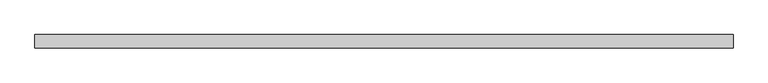
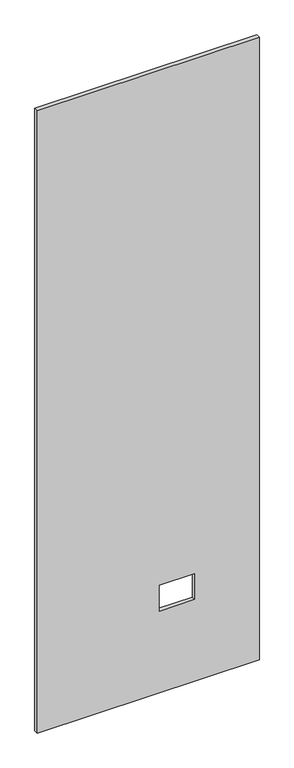
"""IFC4 building model written with IfcOpenShell, lengths in millimetres: proxy geometry."""

import ifcopenshell
import ifcopenshell.guid

model = None  # the IFC model being written
_history = None  # IfcOwnerHistory: only IFC2X3 demands one
_inside = {}  # id of a spatial element -> (the spatial element, [elements in it])
_under = {}  # id of a project, library or spatial element -> (it, [spatial elements below it])
_declared = {}  # id of a project -> (the project, [libraries it declares])
_typed = {}  # id of a type object -> (the type object, [elements of that type])
_made_of = {}  # id of a material, layer set ... -> (it, [elements and type objects made of it])


def new_model(schema):
    """Start an empty IFC model of exactly this schema.

    Asked for "IFC4X3", IfcOpenShell would pick the latest addendum, in which some entities
    have other attributes; the version numbers below select the first issue.
    IFC2X3 requires an IfcOwnerHistory on every rooted entity: one is made here for all.
    """
    global model, _history
    if schema == "IFC4X3":
        model = ifcopenshell.file(schema_version=(4, 3, 0, 0))
    else:
        model = ifcopenshell.file(schema=schema)
    _inside.clear()
    _under.clear()
    _declared.clear()
    _typed.clear()
    _made_of.clear()
    _history = None
    if model.schema == "IFC2X3":
        org = make("IfcOrganization", Name="unknown")
        user = make(
            "IfcPersonAndOrganization",
            ThePerson=make("IfcPerson", FamilyName="unknown"),
            TheOrganization=org,
        )
        app = make(
            "IfcApplication",
            ApplicationDeveloper=org,
            Version="unknown",
            ApplicationFullName="unknown",
            ApplicationIdentifier="unknown",
        )
        _history = make(
            "IfcOwnerHistory",
            OwningUser=user,
            OwningApplication=app,
            ChangeAction="ADDED",
            CreationDate=0,
        )
    return model


def make(cls, **values):
    """One entity of the class cls with the attributes given. An attribute that is None is left unset."""
    return model.create_entity(
        cls, **{name: value for name, value in values.items() if value is not None}
    )


def rooted(cls, **values):
    """An entity with a GlobalId (a new one), such as an element, a storey or a relation."""
    return make(cls, GlobalId=ifcopenshell.guid.new(), OwnerHistory=_history, **values)


def si_unit(unit_type, name, prefix=None):
    """IfcSIUnit, for example si_unit("LENGTHUNIT", "METRE", prefix="MILLI")."""
    return make("IfcSIUnit", UnitType=unit_type, Prefix=prefix, Name=name)


def assignment(units):
    """IfcUnitAssignment: the units of a project."""
    return None if units is None else make("IfcUnitAssignment", Units=units)


def point(xyz):
    """IfcCartesianPoint."""
    return None if xyz is None else make("IfcCartesianPoint", Coordinates=xyz)


def direction(xyz):
    """IfcDirection."""
    return None if xyz is None else make("IfcDirection", DirectionRatios=xyz)


def frame(location, z_axis=None, x_axis=None):
    """IfcAxis2Placement3D, a coordinate frame: its origin and axes. An axis left out is left unset."""
    return make(
        "IfcAxis2Placement3D",
        Location=point(location),
        Axis=direction(z_axis),
        RefDirection=direction(x_axis),
    )


def origin():
    """The frame at (0, 0, 0) with its axes left unset."""
    return frame((0.0, 0.0, 0.0))


def place(relative_to, where):
    """IfcLocalPlacement: puts the frame where relative to a parent placement (None: the world)."""
    return make(
        "IfcLocalPlacement", PlacementRelTo=relative_to, RelativePlacement=where
    )


def context(
    kind, dimensions, precision=None, world=None, true_north=None, identifier=None
):
    """IfcGeometricRepresentationContext, for example the 3D "Model" context."""
    return make(
        "IfcGeometricRepresentationContext",
        ContextIdentifier=identifier,
        ContextType=kind,
        CoordinateSpaceDimension=dimensions,
        Precision=precision,
        WorldCoordinateSystem=world,
        TrueNorth=true_north,
    )


def project(units=None, contexts=None):
    """IfcProject with its units and contexts."""
    return rooted(
        "IfcProject",
        Name="project",
        RepresentationContexts=contexts,
        UnitsInContext=assignment(units),
    )


def spatial(cls, under=None, at=None, **own):
    """A site, building, storey or space (cls), placed at a placement, below another one or the project."""
    s = rooted(cls, ObjectPlacement=at, **own)
    if under is not None:
        _under.setdefault(under.id(), (under, []))[1].append(s)
    return s


def polyline(points):
    """IfcPolyline through the points."""
    return make("IfcPolyline", Points=[point(p) for p in points])


def outline(outer, holes=None, kind="AREA"):
    """IfcArbitraryClosedProfileDef: a profile drawn as a closed curve; with holes, ...WithVoids."""
    if holes is None:
        return make("IfcArbitraryClosedProfileDef", ProfileType=kind, OuterCurve=outer)
    return make(
        "IfcArbitraryProfileDefWithVoids",
        ProfileType=kind,
        OuterCurve=outer,
        InnerCurves=holes,
    )


def extrude(swept, where, along, depth):
    """IfcExtrudedAreaSolid: the profile swept, set in the frame where, extruded along a direction by depth."""
    return make(
        "IfcExtrudedAreaSolid",
        SweptArea=swept,
        Position=where,
        ExtrudedDirection=direction(along),
        Depth=depth,
    )


def shape(context_of_items, identifier, shape_type, items):
    """IfcShapeRepresentation: the items that make up one representation, for example the "Body"."""
    return make(
        "IfcShapeRepresentation",
        ContextOfItems=context_of_items,
        RepresentationIdentifier=identifier,
        RepresentationType=shape_type,
        Items=items,
    )


def source(mapping_origin, context_of_items, identifier, shape_type, items):
    """IfcRepresentationMap: a shape defined once, which mapped items show again and again."""
    return make(
        "IfcRepresentationMap",
        MappingOrigin=mapping_origin,
        MappedRepresentation=shape(context_of_items, identifier, shape_type, items),
    )


def transform(
    local_origin,
    x_axis=None,
    y_axis=None,
    z_axis=None,
    scale=None,
    scale2=None,
    scale3=None,
    uniform=True,
):
    """IfcCartesianTransformationOperator3D, or its non-uniform kind. x_axis, y_axis, z_axis: its Axis1, 2, 3."""
    if uniform:
        return make(
            "IfcCartesianTransformationOperator3D",
            Axis1=direction(x_axis),
            Axis2=direction(y_axis),
            LocalOrigin=point(local_origin),
            Scale=scale,
            Axis3=direction(z_axis),
        )
    return make(
        "IfcCartesianTransformationOperator3DnonUniform",
        Axis1=direction(x_axis),
        Axis2=direction(y_axis),
        LocalOrigin=point(local_origin),
        Scale=scale,
        Axis3=direction(z_axis),
        Scale2=scale2,
        Scale3=scale3,
    )


def mapped(mapping_source, mapping_target):
    """IfcMappedItem: shows the shape of a source again, moved by a transform."""
    return make(
        "IfcMappedItem", MappingSource=mapping_source, MappingTarget=mapping_target
    )


def made_of(thing, what):
    """Note that an element or type object is made of a material, layer set ...; save() writes the relation."""
    if what is not None:
        _made_of.setdefault(what.id(), (what, []))[1].append(thing)
    return thing


def element(
    cls,
    number,
    at=None,
    inside=None,
    cuts=None,
    type_object=None,
    material=None,
    context=None,
    identifier="Body",
    shape_type=None,
    held_by="IfcProductDefinitionShape",
    body=None,
    shapes=None,
    **own,
):
    """One element of the class cls, such as IfcWall. Its Tag is "e" and its number.

    at: its placement. inside: the storey or other place that contains it. cuts: it is an
    opening in that element (IfcRelVoidsElement). A single representation is given by context,
    identifier, shape_type and body (its items); several are given by shapes. held_by: the class
    of the entity that holds the representations. save() writes the other relations.
    """
    e = rooted(cls, Tag="e%d" % number, ObjectPlacement=at, **own)
    if body is not None:
        shapes = [shape(context, identifier, shape_type, body)]
    if shapes is not None:
        e.Representation = make(held_by, Representations=shapes)
    if inside is not None:
        _inside.setdefault(inside.id(), (inside, []))[1].append(e)
    if cuts is not None:
        rooted(
            "IfcRelVoidsElement", RelatingBuildingElement=cuts, RelatedOpeningElement=e
        )
    if type_object is not None:
        _typed.setdefault(type_object.id(), (type_object, []))[1].append(e)
    return made_of(e, material)


def aggregate(whole, parts):
    """IfcRelAggregates: a whole, such as a stair, and the parts it consists of."""
    return rooted("IfcRelAggregates", RelatingObject=whole, RelatedObjects=parts)


def save(model, path):
    """Write the relations noted so far, then the file.

    IfcRelAggregates (storeys below a building ...), IfcRelContainedInSpatialStructure (elements
    in a storey), IfcRelDefinesByType, IfcRelAssociatesMaterial and IfcRelDeclares: one each for
    every whole, place, type object, material and project.
    """
    for whole, parts in _under.values():
        aggregate(whole, parts)
    for where, things in _inside.values():
        rooted(
            "IfcRelContainedInSpatialStructure",
            RelatedElements=things,
            RelatingStructure=where,
        )
    for kind, things in _typed.values():
        rooted("IfcRelDefinesByType", RelatedObjects=things, RelatingType=kind)
    for what, things in _made_of.values():
        rooted("IfcRelAssociatesMaterial", RelatedObjects=things, RelatingMaterial=what)
    for by, libraries in _declared.values():
        rooted("IfcRelDeclares", RelatingContext=by, RelatedDefinitions=libraries)
    model.write(path)


def specialty_equipment_fe26c295(model_context):
    return source(origin(), model_context, "Body", "SweptSolid", [
        extrude(outline(polyline([(2999.5367217, -506.1204), (3.175, -506.1204), (3.175, 506.1204), (2999.5367217, 506.1204), (2999.5367217, -506.1204)]), holes=[polyline([(395.4526, 211.8868), (395.4526, 51.3588), (518.9474, 51.3588), (518.9474, 211.8868), (395.4526, 211.8868)])]), frame((0.0, -9.525, 0.0), z_axis=(0.0, 1.0, 0.0), x_axis=(0.0, 0.0, 1.0)), (0.0, 0.0, 1.0), 19.05),
    ])


if __name__ == "__main__":
    model = new_model("IFC4")
    model_context = context("Model", 3, world=origin())
    ifc_project = project(units=[si_unit("LENGTHUNIT", "METRE", prefix="MILLI")], contexts=[model_context])
    site = spatial("IfcSite", under=ifc_project)
    building = spatial("IfcBuilding", under=site)
    placement = place(None, origin())
    specialty_equipment_shape = specialty_equipment_fe26c295(model_context)
    element("IfcBuildingElementProxy", 1, Name="Specialty Equipment", at=placement, inside=building, context=model_context, shape_type="MappedRepresentation", body=[
        mapped(specialty_equipment_shape, transform((0.0, 0.0, 0.0), x_axis=(1.0, 0.0, 0.0), y_axis=(0.0, 1.0, 0.0), z_axis=(0.0, 0.0, 1.0))),
    ])
    save(model, "model.ifc")
